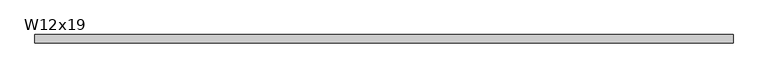
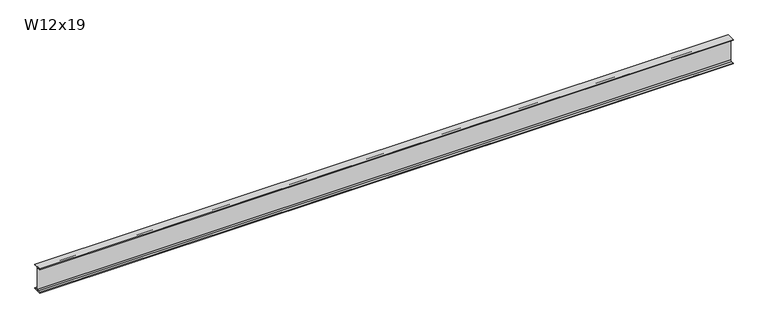
"""IFC4 building model written with IfcOpenShell, lengths in millimetres: beam geometry, W12x19."""

from ifc_helpers import new_model, si_unit, point, frame, frame_2d, origin, place, context, project, spatial, polyline, circle_curve, trimmed, segment, composite_curve, outline, extrude, source, transform, mapped, element, save


def w12x19_edeedab4(model_context):
    return source(origin(), model_context, "Body", "SweptSolid", [
        extrude(outline(composite_curve([segment(polyline([(50.927, -146.05), (50.927, -154.94), (-50.927, -154.94), (-50.927, -146.05), (-16.3195, -146.05)]), True, "CONTINUOUS"), segment(trimmed(circle_curve(frame_2d((-16.3195, -132.715)), 13.335), [point((-16.3195, -146.05))], [point((-2.9845, -132.715))], True, "CARTESIAN"), True, "CONTINUOUS"), segment(polyline([(-2.9845, -132.715), (-2.9845, 132.715)]), True, "CONTINUOUS"), segment(trimmed(circle_curve(frame_2d((-16.3195, 132.715)), 13.335), [point((-2.9845, 132.715))], [point((-16.3195, 146.05))], True, "CARTESIAN"), True, "CONTINUOUS"), segment(polyline([(-16.3195, 146.05), (-50.927, 146.05), (-50.927, 154.94), (50.927, 154.94), (50.927, 146.05), (16.3195, 146.05)]), True, "CONTINUOUS"), segment(trimmed(circle_curve(frame_2d((16.3195, 132.715)), 13.335), [point((16.3195, 146.05))], [point((2.9845, 132.715))], True, "CARTESIAN"), True, "CONTINUOUS"), segment(polyline([(2.9845, 132.715), (2.9845, -132.715)]), True, "CONTINUOUS"), segment(trimmed(circle_curve(frame_2d((16.3195, -132.715)), 13.335), [point((2.9845, -132.715))], [point((16.3195, -146.05))], True, "CARTESIAN"), True, "CONTINUOUS"), segment(polyline([(16.3195, -146.05), (50.927, -146.05)]), True, "CONTINUOUS")], self_intersect=False)), frame((-4197.7678539, 0.0, 0.0), z_axis=(1.0, 0.0, 0.0), x_axis=(0.0, 1.0, 0.0)), (0.0, 0.0, 1.0), 8395.5357077),
    ])


if __name__ == "__main__":
    model = new_model("IFC4")
    model_context = context("Model", 3, world=origin())
    ifc_project = project(units=[si_unit("LENGTHUNIT", "METRE", prefix="MILLI")], contexts=[model_context])
    site = spatial("IfcSite", under=ifc_project)
    building = spatial("IfcBuilding", under=site)
    placement = place(None, origin())
    w12x19_shape = w12x19_edeedab4(model_context)
    element("IfcBeam", 1, ObjectType="W12x19", at=placement, inside=building, context=model_context, shape_type="MappedRepresentation", body=[
        mapped(w12x19_shape, transform((0.0, 0.0, 0.0), x_axis=(1.0, 0.0, 0.0), y_axis=(0.0, 1.0, 0.0), z_axis=(0.0, 0.0, 1.0))),
    ])
    save(model, "model.ifc")
